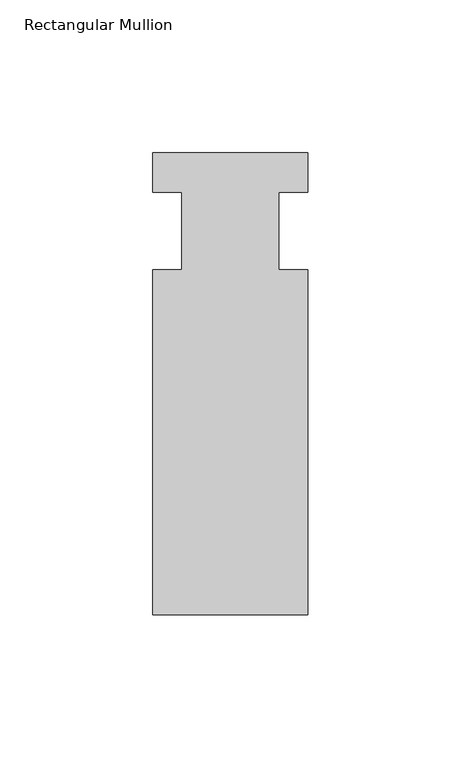
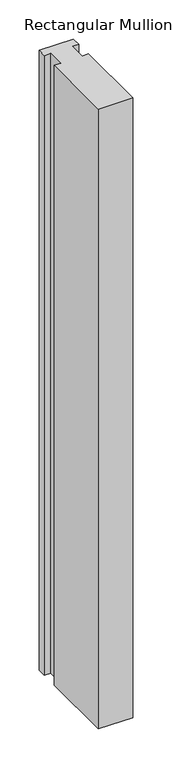
"""IFC4 building model written with IfcOpenShell, lengths in millimetres: member geometry, Rectangular Mullion."""

from ifc_helpers import new_model, si_unit, frame, origin, place, context, project, spatial, polyline, outline, extrude, source, transform, mapped, element, save


def rectangular_mullion_280f9bb2(model_context):
    return source(origin(), model_context, "Body", "SweptSolid", [
        extrude(outline(polyline([(-25.4, 25.5984375), (25.4, 25.5984375), (25.4, 12.7), (15.875, 12.7), (15.875, -12.7), (25.4, -12.7), (25.4, -125.6109375), (-25.4, -125.6109375), (-25.4, -12.7), (-15.875, -12.7), (-15.875, 12.7), (-25.4, 12.7), (-25.4, 25.5984375)])), frame((0.0, 0.0, -967.42885), z_axis=(0.0, 0.0, 1.0), x_axis=(1.0, 0.0, 0.0)), (0.0, 0.0, 1.0), 967.42885),
    ])


if __name__ == "__main__":
    model = new_model("IFC4")
    model_context = context("Model", 3, world=origin())
    ifc_project = project(units=[si_unit("LENGTHUNIT", "METRE", prefix="MILLI")], contexts=[model_context])
    site = spatial("IfcSite", under=ifc_project)
    building = spatial("IfcBuilding", under=site)
    placement = place(None, origin())
    rectangular_mullion_shape = rectangular_mullion_280f9bb2(model_context)
    element("IfcMember", 1, ObjectType="Rectangular Mullion", at=placement, inside=building, context=model_context, shape_type="MappedRepresentation", body=[
        mapped(rectangular_mullion_shape, transform((0.0, 0.0, 0.0), x_axis=(1.0, 0.0, 0.0), y_axis=(0.0, 1.0, 0.0), z_axis=(0.0, 0.0, 1.0))),
    ])
    save(model, "model.ifc")
